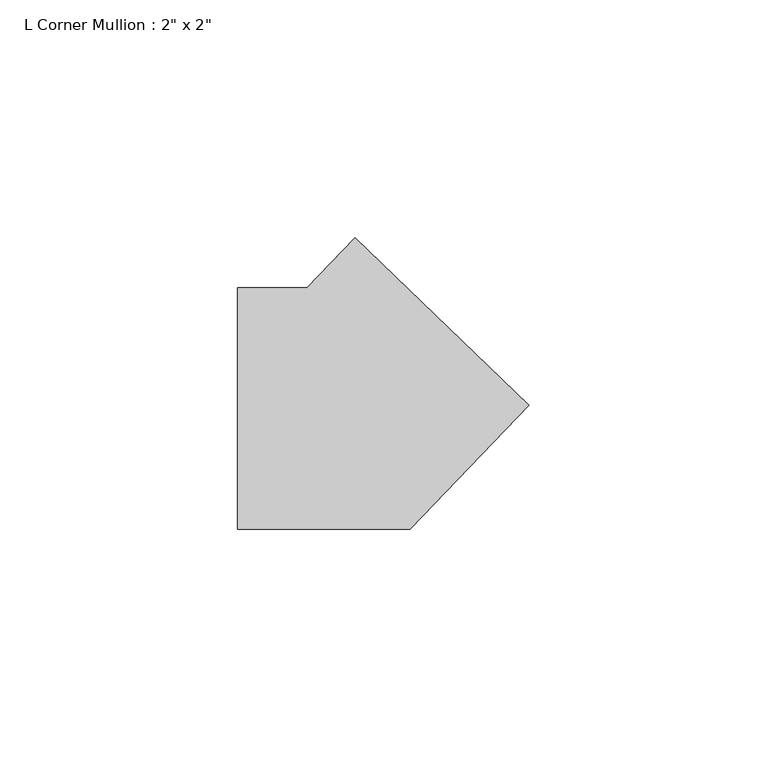
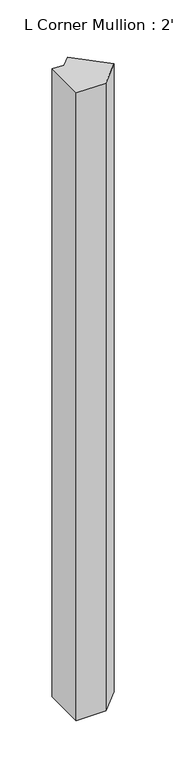
"""IFC4 building model written with IfcOpenShell, lengths in millimetres: member geometry."""

from ifc_helpers import new_model, si_unit, frame, origin, place, context, project, spatial, polyline, outline, extrude, source, transform, mapped, element, save


def member_ba0cba9c(model_context):
    return source(origin(), model_context, "Body", "SweptSolid", [
        extrude(outline(polyline([(35.913317, 0.7440862), (10.8305964, -25.4), (-25.4, -25.4), (-25.4, 25.4), (-10.8305964, 25.4), (-0.7440862, 35.913317), (35.913317, 0.7440862)])), frame((0.0, 0.0, -808.7417998), z_axis=(0.0, 0.0, 1.0), x_axis=(1.0, 0.0, 0.0)), (0.0, 0.0, 1.0), 808.7417998),
    ])


if __name__ == "__main__":
    model = new_model("IFC4")
    model_context = context("Model", 3, world=origin())
    ifc_project = project(units=[si_unit("LENGTHUNIT", "METRE", prefix="MILLI")], contexts=[model_context])
    site = spatial("IfcSite", under=ifc_project)
    building = spatial("IfcBuilding", under=site)
    placement = place(None, origin())
    member_shape = member_ba0cba9c(model_context)
    element("IfcMember", 1, ObjectType="L Corner Mullion : 2\" x 2\"", at=placement, inside=building, context=model_context, shape_type="MappedRepresentation", body=[
        mapped(member_shape, transform((0.0, 0.0, 0.0), x_axis=(1.0, 0.0, 0.0), y_axis=(0.0, 1.0, 0.0), z_axis=(0.0, 0.0, 1.0))),
    ])
    save(model, "model.ifc")
